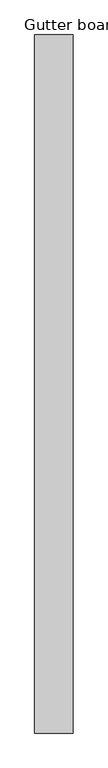
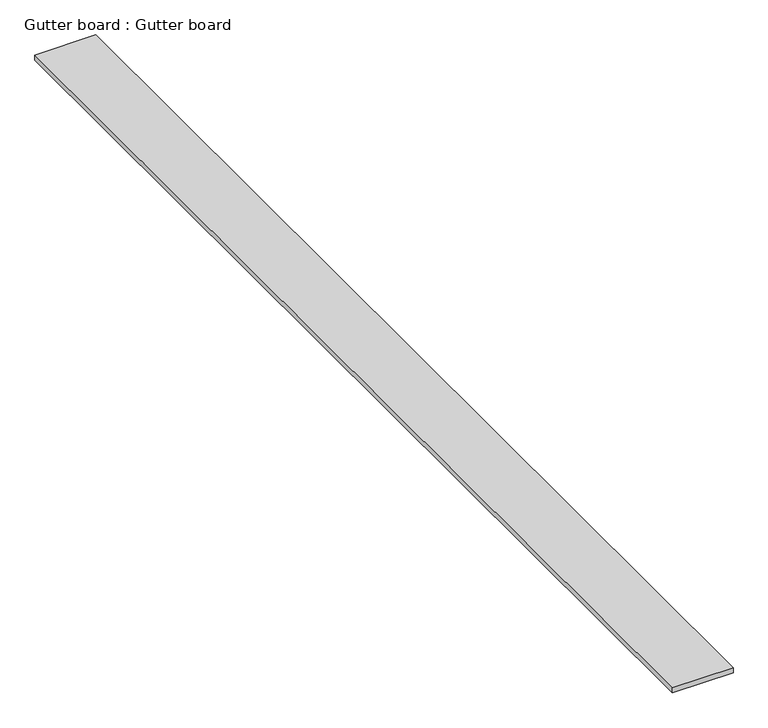
"""IFC4 building model written with IfcOpenShell, lengths in millimetres: proxy geometry, Gutter board : Gutter board."""

from ifc_helpers import new_model, si_unit, frame, origin, place, context, project, spatial, polyline, outline, extrude, source, transform, mapped, element, save


def gutter_board_gutter_board_72dd4f1a(model_context):
    return source(origin(), model_context, "Body", "SweptSolid", [
        extrude(outline(polyline([(-1197.0226803, -4545.130694), (-1367.0226803, -4545.130694), (-1367.0226803, -1455.130694), (-1197.0226803, -1455.130694), (-1197.0226803, -4545.130694)])), frame((0.0, 0.0, 3784.2452806), z_axis=(0.0, 0.0, 1.0), x_axis=(1.0, 0.0, 0.0)), (0.0, 0.0, 1.0), 15.0),
    ])


if __name__ == "__main__":
    model = new_model("IFC4")
    model_context = context("Model", 3, world=origin())
    ifc_project = project(units=[si_unit("LENGTHUNIT", "METRE", prefix="MILLI")], contexts=[model_context])
    site = spatial("IfcSite", under=ifc_project)
    building = spatial("IfcBuilding", under=site)
    placement = place(None, origin())
    gutter_board_gutter_board_shape = gutter_board_gutter_board_72dd4f1a(model_context)
    element("IfcBuildingElementProxy", 1, Name="Gutter board : Gutter board", ObjectType="Gutter board : Gutter board", at=placement, inside=building, context=model_context, shape_type="MappedRepresentation", body=[
        mapped(gutter_board_gutter_board_shape, transform((0.0, 0.0, 0.0), x_axis=(1.0, 0.0, 0.0), y_axis=(0.0, 1.0, 0.0), z_axis=(0.0, 0.0, 1.0))),
    ])
    save(model, "model.ifc")
